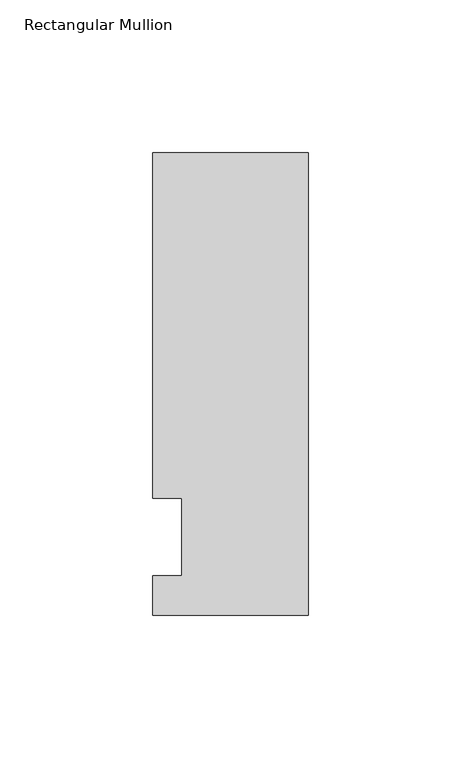
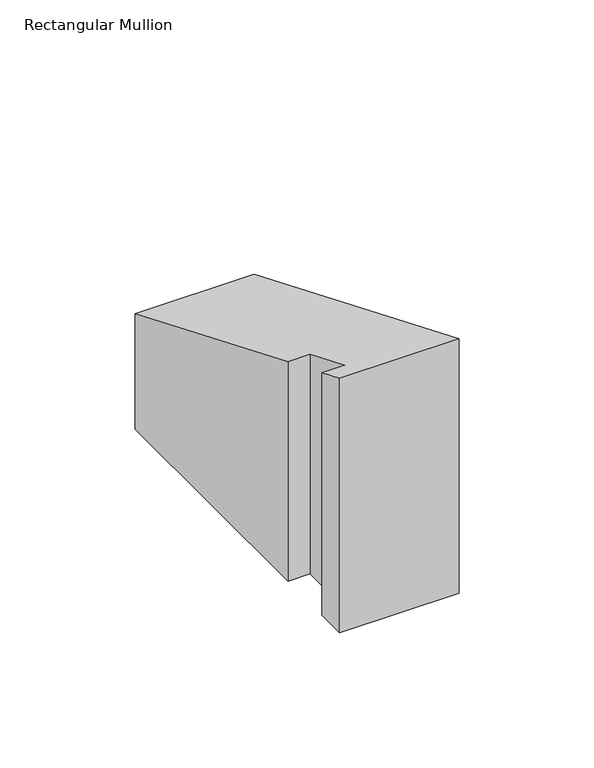
"""IFC4 building model written with IfcOpenShell, lengths in millimetres: member geometry, Rectangular Mullion."""

from ifc_helpers import new_model, si_unit, origin, place, context, project, spatial, faceted_brep, source, transform, mapped, element, save


def rectangular_mullion_7cc08fa2(model_context):
    return source(origin(), model_context, "Body", "Brep", [
        faceted_brep([(-50.8, -25.5984375, -104.2521172), (-50.8, -12.7, -104.2521172), (-41.275, -12.7, -104.2521172), (-41.275, 12.7, -104.2521172), (-50.8, 12.7, -104.2521172), (-50.8, 125.6109375, -104.2521172), (0.0, 125.6109375, -104.2521172), (0.0, -25.5984375, -104.2521172), (0.0, -25.5984375, 10.60322), (-50.8, -25.5984375, 10.60322), (0.0, 125.6109375, -52.0297539), (-50.8, 125.6109375, -52.0297539), (-50.8, 12.7, -5.2605122), (-41.275, 12.7, -5.2605122), (-41.275, -12.7, 5.2605122), (-50.8, -12.7, 5.2605122)], [[[0, 1, 2, 3, 4, 5, 6, 7]], [[8, 9, 0, 7]], [[10, 8, 7, 6]], [[11, 10, 6, 5]], [[12, 11, 5, 4]], [[13, 12, 4, 3]], [[14, 13, 3, 2]], [[15, 14, 2, 1]], [[9, 15, 1, 0]], [[9, 8, 10, 11, 12, 13, 14, 15]]]),
    ])


if __name__ == "__main__":
    model = new_model("IFC4")
    model_context = context("Model", 3, world=origin())
    ifc_project = project(units=[si_unit("LENGTHUNIT", "METRE", prefix="MILLI")], contexts=[model_context])
    site = spatial("IfcSite", under=ifc_project)
    building = spatial("IfcBuilding", under=site)
    placement = place(None, origin())
    rectangular_mullion_shape = rectangular_mullion_7cc08fa2(model_context)
    element("IfcMember", 1, ObjectType="Rectangular Mullion", at=placement, inside=building, context=model_context, shape_type="MappedRepresentation", body=[
        mapped(rectangular_mullion_shape, transform((0.0, 0.0, 0.0), x_axis=(1.0, 0.0, 0.0), y_axis=(0.0, 1.0, 0.0), z_axis=(0.0, 0.0, 1.0))),
    ])
    save(model, "model.ifc")
